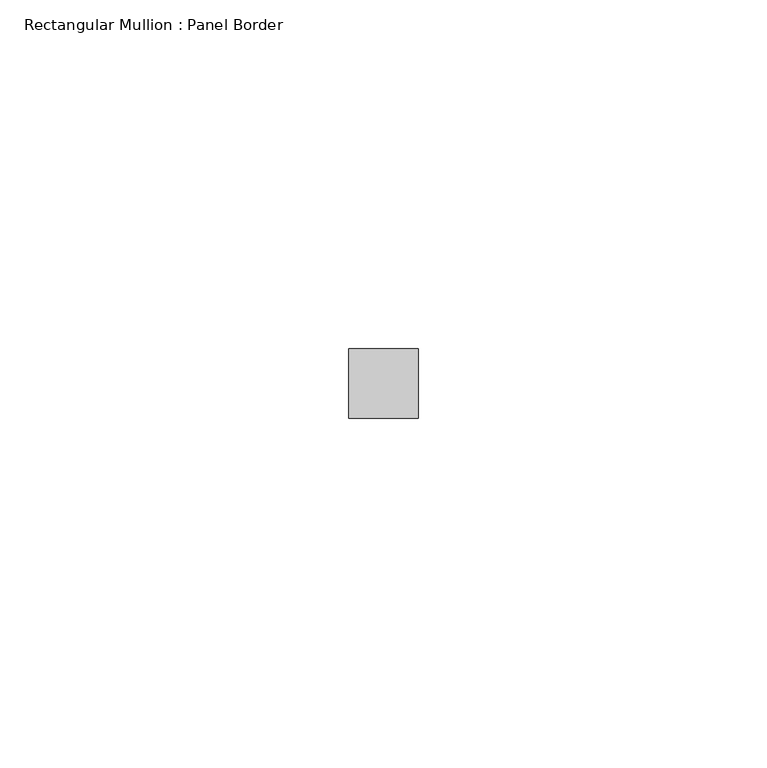
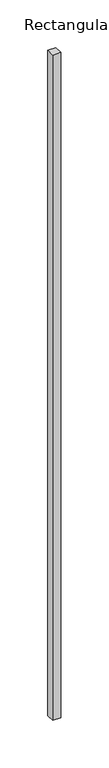
"""IFC4 building model written with IfcOpenShell, lengths in millimetres: member geometry, Rectangular Mullion : Panel Border."""

from ifc_helpers import new_model, si_unit, frame, origin, place, context, project, spatial, polyline, outline, extrude, source, transform, mapped, element, save


def rectangular_mullion_panel_border_7f8be40c(model_context):
    return source(origin(), model_context, "Body", "SweptSolid", [
        extrude(outline(polyline([(5.0, 5.5), (5.0, -4.5), (-5.0, -4.5), (-5.0, 5.5), (5.0, 5.5)])), frame((0.0, 0.0, -850.5), z_axis=(0.0, 0.0, 1.0), x_axis=(1.0, 0.0, 0.0)), (0.0, 0.0, 1.0), 850.5),
    ])


if __name__ == "__main__":
    model = new_model("IFC4")
    model_context = context("Model", 3, world=origin())
    ifc_project = project(units=[si_unit("LENGTHUNIT", "METRE", prefix="MILLI")], contexts=[model_context])
    site = spatial("IfcSite", under=ifc_project)
    building = spatial("IfcBuilding", under=site)
    placement = place(None, origin())
    rectangular_mullion_panel_border_shape = rectangular_mullion_panel_border_7f8be40c(model_context)
    element("IfcMember", 1, ObjectType="Rectangular Mullion : Panel Border", at=placement, inside=building, context=model_context, shape_type="MappedRepresentation", body=[
        mapped(rectangular_mullion_panel_border_shape, transform((0.0, 0.0, 0.0), x_axis=(1.0, 0.0, 0.0), y_axis=(0.0, 1.0, 0.0), z_axis=(0.0, 0.0, 1.0))),
    ])
    save(model, "model.ifc")
